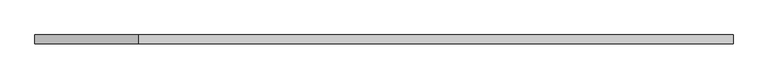
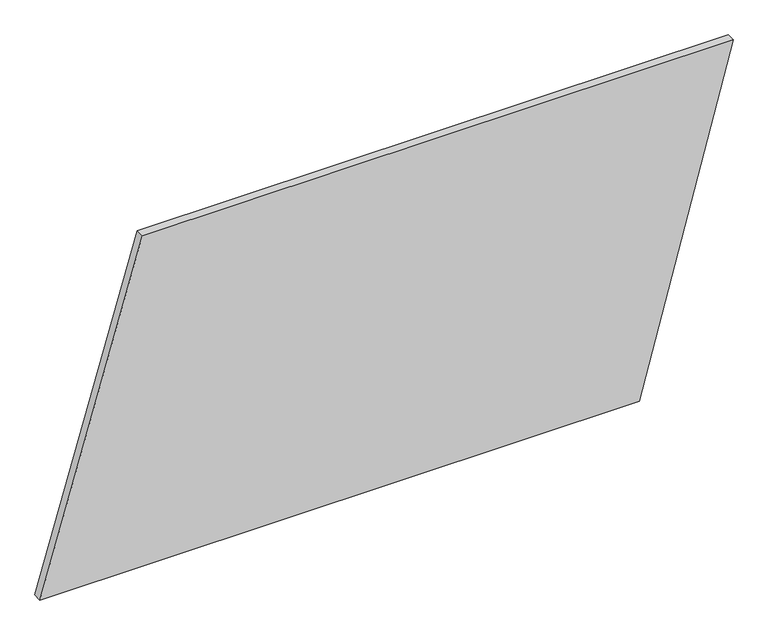
"""IFC4 building model written with IfcOpenShell, lengths in millimetres: plate geometry."""

from ifc_helpers import new_model, si_unit, frame, origin, place, context, project, spatial, polyline, outline, extrude, source, transform, mapped, element, save


def plate_ea20246a(model_context):
    return source(origin(), model_context, "Body", "SweptSolid", [
        extrude(outline(polyline([(0.0, -991.7134937), (0.0, 723.7643013), (1000.0, 991.7134937), (1000.0, -698.4680451), (0.0, -991.7134937)])), frame((0.0, 24.5, 0.0), z_axis=(0.0, 1.0, 0.0), x_axis=(0.0, 0.0, 1.0)), (0.0, 0.0, 1.0), 25.0),
    ])


if __name__ == "__main__":
    model = new_model("IFC4")
    model_context = context("Model", 3, world=origin())
    ifc_project = project(units=[si_unit("LENGTHUNIT", "METRE", prefix="MILLI")], contexts=[model_context])
    site = spatial("IfcSite", under=ifc_project)
    building = spatial("IfcBuilding", under=site)
    placement = place(None, origin())
    plate_shape = plate_ea20246a(model_context)
    element("IfcPlate", 1, at=placement, inside=building, context=model_context, shape_type="MappedRepresentation", body=[
        mapped(plate_shape, transform((0.0, 0.0, 0.0), x_axis=(1.0, 0.0, 0.0), y_axis=(0.0, 1.0, 0.0), z_axis=(0.0, 0.0, 1.0))),
    ])
    save(model, "model.ifc")
